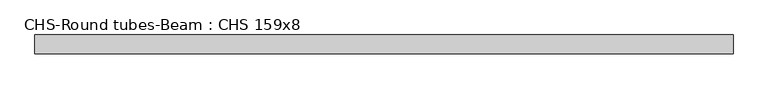
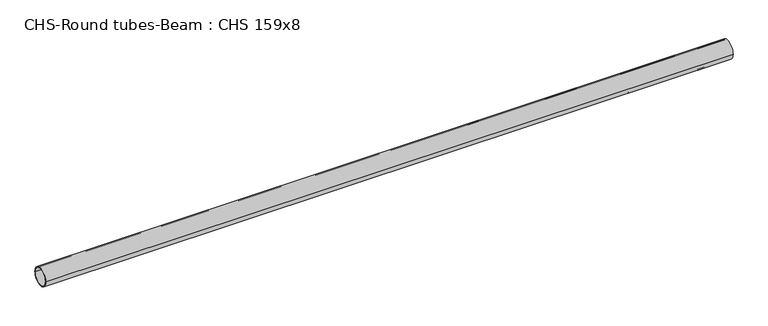
"""IFC4 building model written with IfcOpenShell, lengths in millimetres: beam geometry, CHS-Round tubes-Beam : CHS 159x8."""

from ifc_helpers import new_model, si_unit, point, frame, origin, origin_2d, place, context, project, spatial, circle_curve, trimmed, segment, composite_curve, outline, extrude, source, transform, mapped, element, save


def chs_round_tubes_beam_chs_159x8_a7d5d69b(model_context):
    return source(origin(), model_context, "Body", "SweptSolid", [
        extrude(outline(composite_curve([segment(trimmed(circle_curve(origin_2d(), 79.5), [point((79.5, 0.0))], [point((-79.5, 0.0))], False, "CARTESIAN"), True, "CONTINUOUS"), segment(trimmed(circle_curve(origin_2d(), 79.5), [point((-79.5, 0.0))], [point((79.5, 0.0))], False, "CARTESIAN"), True, "CONTINUOUS")], self_intersect=False), holes=[composite_curve([segment(trimmed(circle_curve(origin_2d(), 71.5), [point((71.5, 0.0))], [point((-71.5, 0.0))], True, "CARTESIAN"), True, "CONTINUOUS"), segment(trimmed(circle_curve(origin_2d(), 71.5), [point((-71.5, 0.0))], [point((71.5, 0.0))], True, "CARTESIAN"), True, "CONTINUOUS")], self_intersect=False)]), frame((-2944.1759264, 0.0, 0.0), z_axis=(1.0, 0.0, 0.0), x_axis=(0.0, 1.0, 0.0)), (0.0, 0.0, 1.0), 5888.3518528),
    ])


if __name__ == "__main__":
    model = new_model("IFC4")
    model_context = context("Model", 3, world=origin())
    ifc_project = project(units=[si_unit("LENGTHUNIT", "METRE", prefix="MILLI")], contexts=[model_context])
    site = spatial("IfcSite", under=ifc_project)
    building = spatial("IfcBuilding", under=site)
    placement = place(None, origin())
    chs_round_tubes_beam_chs_159x8_shape = chs_round_tubes_beam_chs_159x8_a7d5d69b(model_context)
    element("IfcBeam", 1, ObjectType="CHS-Round tubes-Beam : CHS 159x8", at=placement, inside=building, context=model_context, shape_type="MappedRepresentation", body=[
        mapped(chs_round_tubes_beam_chs_159x8_shape, transform((0.0, 0.0, 0.0), x_axis=(1.0, 0.0, 0.0), y_axis=(0.0, 1.0, 0.0), z_axis=(0.0, 0.0, 1.0))),
    ])
    save(model, "model.ifc")
